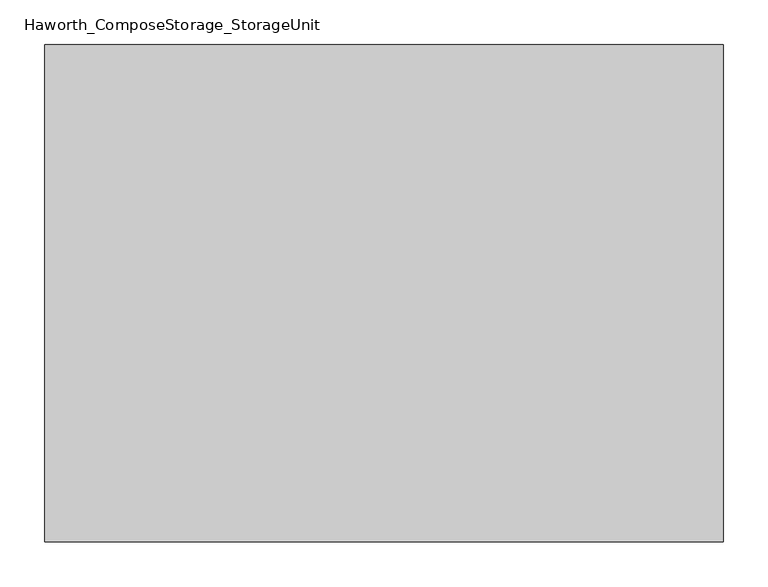
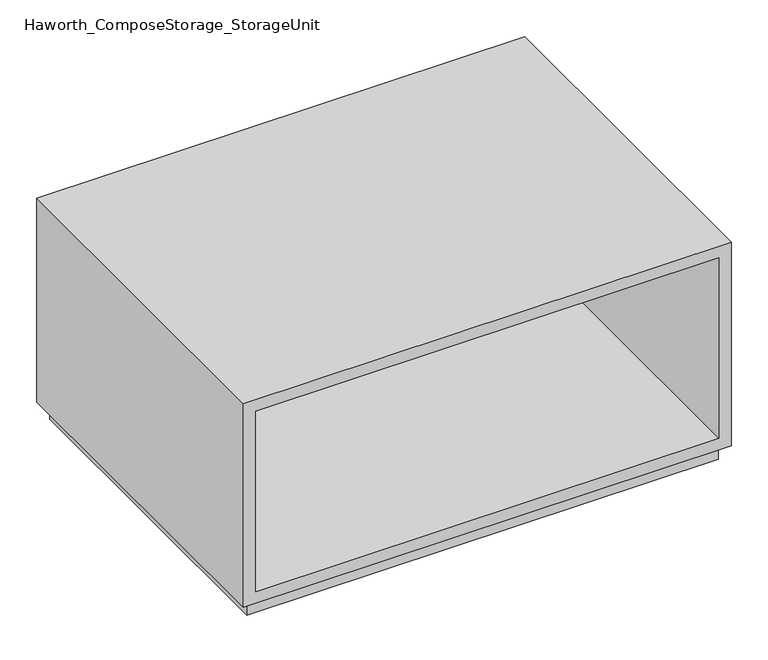
"""IFC4 building model written with IfcOpenShell, lengths in millimetres: furniture geometry, Haworth_ComposeStorage_StorageUnit."""

from ifc_helpers import new_model, si_unit, frame, origin, origin_with_axes, place, context, project, spatial, polyline, outline, extrude, source, transform, mapped, element, save


def haworth_composestorage_storageunit_e05e75c4(model_context):
    return source(origin(), model_context, "Body", "SweptSolid", [
        extrude(outline(polyline([(25.4, -380.9861094), (25.4, 381.0138906), (361.95, 381.0138906), (361.95, -380.9861094), (25.4, -380.9861094)]), holes=[polyline([(44.45, -361.9361094), (342.9, -361.9361094), (342.9, 361.9569453), (44.45, 361.9569453), (44.45, -361.9361094)])]), frame((0.0, -228.6, 0.0), z_axis=(0.0, 1.0, 0.0), x_axis=(0.0, 0.0, 1.0)), (0.0, 0.0, 1.0), 558.8),
        extrude(outline(polyline([(-361.9291641, 295.275), (-361.9291641, 304.8), (361.9569453, 304.8), (361.9569453, 295.275), (-361.9291641, 295.275)])), frame((0.0, 0.0, 44.45), z_axis=(0.0, 0.0, 1.0), x_axis=(1.0, 0.0, 0.0)), (0.0, 0.0, 1.0), 298.45),
        extrude(outline(polyline([(368.3138906, -215.9), (-368.2861094, -215.9), (-368.2861094, 317.5), (368.3138906, 317.5), (368.3138906, -215.9)])), origin_with_axes(), (0.0, 0.0, 1.0), 25.4),
    ])


if __name__ == "__main__":
    model = new_model("IFC4")
    model_context = context("Model", 3, world=origin())
    ifc_project = project(units=[si_unit("LENGTHUNIT", "METRE", prefix="MILLI")], contexts=[model_context])
    site = spatial("IfcSite", under=ifc_project)
    building = spatial("IfcBuilding", under=site)
    placement = place(None, origin())
    haworth_composestorage_storageunit_shape = haworth_composestorage_storageunit_e05e75c4(model_context)
    element("IfcFurniture", 1, ObjectType="Haworth_ComposeStorage_StorageUnit", at=placement, inside=building, context=model_context, shape_type="MappedRepresentation", body=[
        mapped(haworth_composestorage_storageunit_shape, transform((0.0, 0.0, 0.0), x_axis=(1.0, 0.0, 0.0), y_axis=(0.0, 1.0, 0.0), z_axis=(0.0, 0.0, 1.0))),
    ])
    save(model, "model.ifc")
